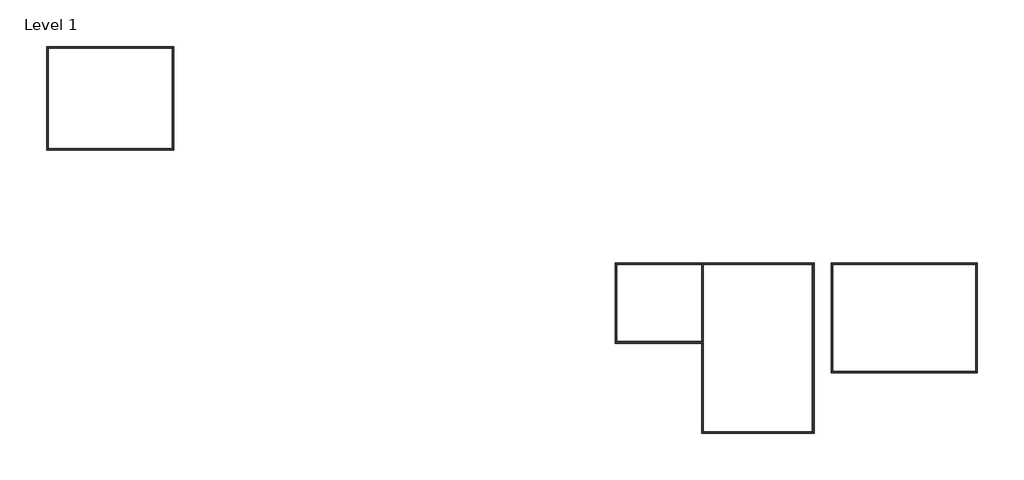
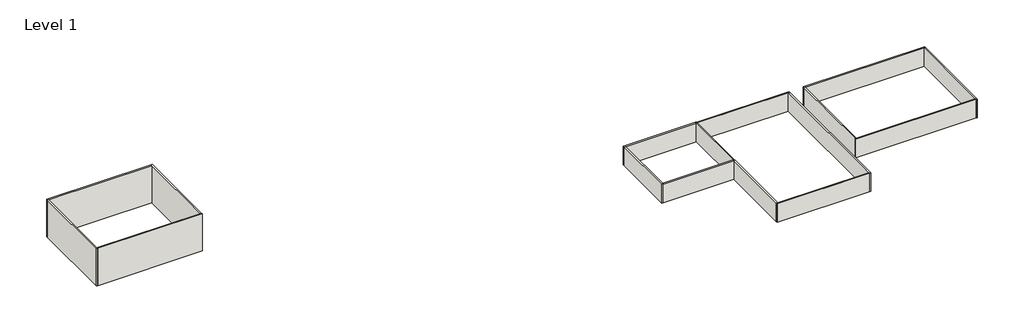
# One storey: 16 walls.
"""IFC4 building model written with IfcOpenShell, lengths in millimetres."""

from ifc_helpers import new_model, si_unit, origin, origin_with_axes, place, context, project, spatial, polyline, outline, extrude, faceted_brep, element, save

model = new_model("IFC4")

# Units and contexts
model_context = context("Model", 3, world=origin())
ifc_project = project(units=[si_unit("LENGTHUNIT", "METRE", prefix="MILLI")], contexts=[model_context])

# Site, building, storey
site = spatial("IfcSite", under=ifc_project)
building = spatial("IfcBuilding", under=site)
storey = spatial("IfcBuildingStorey", under=building, Name="Level 1", Elevation=0.0)

# Walls
placement = place(None, origin())
element("IfcWall", 1, ObjectType="Generic - 200mm", at=placement, inside=storey, context=model_context, shape_type="Brep", body=[
    faceted_brep([(-64391.1230462, 24235.2814303, -3000.0), (-64191.1230462, 24235.2814303, -3000.0), (-48391.1230462, 24235.2814303, -3000.0), (-48391.1230462, 24235.2814303, 3000.0), (-64191.1230462, 24235.2814303, 3000.0), (-64391.1230462, 24235.2814303, 3000.0), (-64391.1230462, 24435.2814303, -3000.0), (-64391.1230462, 24435.2814303, 3000.0), (-48391.1230462, 24435.2814303, 3000.0), (-48391.1230462, 24435.2814303, -3000.0)], [[[0, 1, 2, 3, 4, 5]], [[6, 7, 8, 9]], [[2, 1, 0, 6, 9]], [[5, 4, 3, 8, 7]], [[0, 5, 7, 6]], [[3, 2, 9, 8]]]),
])
element("IfcWall", 2, ObjectType="Generic - 200mm", at=placement, inside=storey, context=model_context, shape_type="Brep", body=[
    faceted_brep([(-64191.1230462, 11235.2814303, -3000.0), (-64191.1230462, 11435.2814303, -3000.0), (-64191.1230462, 24235.2814303, -3000.0), (-64191.1230462, 24235.2814303, 3000.0), (-64191.1230462, 11435.2814303, 3000.0), (-64191.1230462, 11235.2814303, 3000.0), (-64391.1230462, 11235.2814303, -3000.0), (-64391.1230462, 11235.2814303, 3000.0), (-64391.1230462, 24235.2814303, 3000.0), (-64391.1230462, 24235.2814303, -3000.0)], [[[0, 1, 2, 3, 4, 5]], [[6, 7, 8, 9]], [[2, 1, 0, 6, 9]], [[5, 4, 3, 8, 7]], [[0, 5, 7, 6]], [[3, 2, 9, 8]]]),
])
element("IfcWall", 3, ObjectType="Generic - 200mm", at=placement, inside=storey, context=model_context, shape_type="Brep", body=[
    faceted_brep([(-48191.1230462, 11435.2814303, -3000.0), (-48391.1230462, 11435.2814303, -3000.0), (-64191.1230462, 11435.2814303, -3000.0), (-64191.1230462, 11435.2814303, 3000.0), (-48391.1230462, 11435.2814303, 3000.0), (-48191.1230462, 11435.2814303, 3000.0), (-48191.1230462, 11235.2814303, -3000.0), (-48191.1230462, 11235.2814303, 3000.0), (-64191.1230462, 11235.2814303, 3000.0), (-64191.1230462, 11235.2814303, -3000.0)], [[[0, 1, 2, 3, 4, 5]], [[6, 7, 8, 9]], [[2, 1, 0, 6, 9]], [[5, 4, 3, 8, 7]], [[0, 5, 7, 6]], [[3, 2, 9, 8]]]),
])
element("IfcWall", 4, ObjectType="Generic - 200mm", at=placement, inside=storey, context=model_context, shape_type="Brep", body=[
    faceted_brep([(-48391.1230462, 24435.2814303, -3000.0), (-48391.1230462, 24235.2814303, -3000.0), (-48391.1230462, 11435.2814303, -3000.0), (-48391.1230462, 11435.2814303, 3000.0), (-48391.1230462, 24235.2814303, 3000.0), (-48391.1230462, 24435.2814303, 3000.0), (-48191.1230462, 24435.2814303, -3000.0), (-48191.1230462, 24435.2814303, 3000.0), (-48191.1230462, 11435.2814303, 3000.0), (-48191.1230462, 11435.2814303, -3000.0)], [[[0, 1, 2, 3, 4, 5]], [[6, 7, 8, 9]], [[2, 1, 0, 6, 9]], [[5, 4, 3, 8, 7]], [[0, 5, 7, 6]], [[3, 2, 9, 8]]]),
])
element("IfcWall", 5, ObjectType="Generic - 200mm", at=placement, inside=storey, context=model_context, shape_type="Brep", body=[
    faceted_brep([(7992.6275876, -3361.8946299, 0.0), (8192.6275876, -3361.8946299, 0.0), (18992.6275876, -3361.8946299, 0.0), (18992.6275876, -3361.8946299, 3000.0), (8192.6275876, -3361.8946299, 3000.0), (7992.6275876, -3361.8946299, 3000.0), (7992.6275876, -3161.8946299, 0.0), (7992.6275876, -3161.8946299, 3000.0), (18992.6275876, -3161.8946299, 3000.0), (18992.6275876, -3161.8946299, 0.0)], [[[0, 1, 2, 3, 4, 5]], [[6, 7, 8, 9]], [[2, 1, 0, 6, 9]], [[5, 4, 3, 8, 7]], [[0, 5, 7, 6]], [[3, 2, 9, 8]]]),
])
element("IfcWall", 6, ObjectType="Generic - 200mm", at=placement, inside=storey, context=model_context, shape_type="Brep", body=[
    faceted_brep([(8192.6275876, -13361.8946299, 0.0), (8192.6275876, -13161.8946299, 0.0), (8192.6275876, -3361.8946299, 0.0), (8192.6275876, -3361.8946299, 3000.0), (8192.6275876, -13161.8946299, 3000.0), (8192.6275876, -13361.8946299, 3000.0), (7992.6275876, -13361.8946299, 0.0), (7992.6275876, -13361.8946299, 3000.0), (7992.6275876, -3361.8946299, 3000.0), (7992.6275876, -3361.8946299, 0.0)], [[[0, 1, 2, 3, 4, 5]], [[6, 7, 8, 9]], [[2, 1, 0, 6, 9]], [[5, 4, 3, 8, 7]], [[0, 5, 7, 6]], [[3, 2, 9, 8]]]),
])
element("IfcWall", 7, ObjectType="Generic - 200mm", at=placement, inside=storey, context=model_context, shape_type="Brep", body=[
    faceted_brep([(19192.6275876, -13161.8946299, 0.0), (18992.6275876, -13161.8946299, 0.0), (8192.6275876, -13161.8946299, 0.0), (8192.6275876, -13161.8946299, 3000.0), (18992.6275876, -13161.8946299, 3000.0), (19192.6275876, -13161.8946299, 3000.0), (19192.6275876, -13361.8946299, 0.0), (19192.6275876, -13361.8946299, 3000.0), (18992.6275876, -13361.8946299, 3000.0), (8192.6275876, -13361.8946299, 3000.0), (8192.6275876, -13361.8946299, 0.0), (18992.6275876, -13361.8946299, 0.0)], [[[0, 1, 2, 3, 4, 5]], [[6, 7, 8, 9, 10, 11]], [[2, 1, 0, 6, 11, 10]], [[5, 4, 3, 9, 8, 7]], [[0, 5, 7, 6]], [[3, 2, 10, 9]]]),
])
element("IfcWall", 8, ObjectType="Generic - 200mm", at=placement, inside=storey, context=model_context, shape_type="Brep", body=[
    faceted_brep([(18992.6275876, -3161.8946299, 0.0), (18992.6275876, -3361.8946299, 0.0), (18992.6275876, -13161.8946299, 0.0), (18992.6275876, -13161.8946299, 3000.0), (18992.6275876, -3361.8946299, 3000.0), (18992.6275876, -3161.8946299, 3000.0), (19192.6275876, -3161.8946299, 0.0), (19192.6275876, -3161.8946299, 3000.0), (19192.6275876, -3361.8946299, 3000.0), (19192.6275876, -13161.8946299, 3000.0), (19192.6275876, -13161.8946299, 0.0), (19192.6275876, -3361.8946299, 0.0)], [[[0, 1, 2, 3, 4, 5]], [[6, 7, 8, 9, 10, 11]], [[2, 1, 0, 6, 11, 10]], [[5, 4, 3, 9, 8, 7]], [[0, 5, 7, 6]], [[3, 2, 10, 9]]]),
])
element("IfcWall", 9, ObjectType="Generic - 200mm", at=placement, inside=storey, context=model_context, shape_type="Brep", body=[
    faceted_brep([(19192.6275876, -3361.8946299, 0.0), (33092.6275876, -3361.8946299, 0.0), (33292.6275876, -3361.8946299, 0.0), (33292.6275876, -3361.8946299, 3000.0), (33092.6275876, -3361.8946299, 3000.0), (19192.6275876, -3361.8946299, 3000.0), (19192.6275876, -3161.8946299, 0.0), (19192.6275876, -3161.8946299, 3000.0), (33292.6275876, -3161.8946299, 3000.0), (33292.6275876, -3161.8946299, 0.0)], [[[0, 1, 2, 3, 4, 5]], [[6, 7, 8, 9]], [[2, 1, 0, 6, 9]], [[5, 4, 3, 8, 7]], [[0, 5, 7, 6]], [[3, 2, 9, 8]]]),
])
element("IfcWall", 10, ObjectType="Generic - 200mm", at=placement, inside=storey, context=model_context, shape_type="Brep", body=[
    faceted_brep([(33092.6275876, -3361.8946299, 0.0), (33092.6275876, -24661.8946299, 0.0), (33092.6275876, -24861.8946299, 0.0), (33092.6275876, -24861.8946299, 3000.0), (33092.6275876, -24661.8946299, 3000.0), (33092.6275876, -3361.8946299, 3000.0), (33292.6275876, -3361.8946299, 0.0), (33292.6275876, -3361.8946299, 3000.0), (33292.6275876, -24861.8946299, 3000.0), (33292.6275876, -24861.8946299, 0.0)], [[[0, 1, 2, 3, 4, 5]], [[6, 7, 8, 9]], [[2, 1, 0, 6, 9]], [[5, 4, 3, 8, 7]], [[0, 5, 7, 6]], [[3, 2, 9, 8]]]),
])
element("IfcWall", 11, ObjectType="Generic - 200mm", at=placement, inside=storey, context=model_context, shape_type="Brep", body=[
    faceted_brep([(33092.6275876, -24661.8946299, 0.0), (19192.6275876, -24661.8946299, 0.0), (18992.6275876, -24661.8946299, 0.0), (18992.6275876, -24661.8946299, 3000.0), (19192.6275876, -24661.8946299, 3000.0), (33092.6275876, -24661.8946299, 3000.0), (33092.6275876, -24861.8946299, 0.0), (33092.6275876, -24861.8946299, 3000.0), (18992.6275876, -24861.8946299, 3000.0), (18992.6275876, -24861.8946299, 0.0)], [[[0, 1, 2, 3, 4, 5]], [[6, 7, 8, 9]], [[2, 1, 0, 6, 9]], [[5, 4, 3, 8, 7]], [[0, 5, 7, 6]], [[3, 2, 9, 8]]]),
])
element("IfcWall", 12, ObjectType="Generic - 200mm", at=placement, inside=storey, context=model_context, shape_type="SweptSolid", body=[
    extrude(outline(polyline([(19192.6275876, -13361.8946299), (19192.6275876, -24661.8946299), (18992.6275876, -24661.8946299), (18992.6275876, -13361.8946299), (19192.6275876, -13361.8946299)])), origin_with_axes(), (0.0, 0.0, 1.0), 3000.0),
])
element("IfcWall", 13, ObjectType="Generic - 200mm", at=placement, inside=storey, context=model_context, shape_type="Brep", body=[
    faceted_brep([(35492.6275876, -3361.8946299, 0.0), (35692.6275876, -3361.8946299, 0.0), (53892.6275876, -3361.8946299, 0.0), (54092.6275876, -3361.8946299, 0.0), (54092.6275876, -3361.8946299, 3000.0), (53892.6275876, -3361.8946299, 3000.0), (35692.6275876, -3361.8946299, 3000.0), (35492.6275876, -3361.8946299, 3000.0), (35492.6275876, -3161.8946299, 0.0), (35492.6275876, -3161.8946299, 3000.0), (54092.6275876, -3161.8946299, 3000.0), (54092.6275876, -3161.8946299, 0.0)], [[[0, 1, 2, 3, 4, 5, 6, 7]], [[8, 9, 10, 11]], [[3, 2, 1, 0, 8, 11]], [[7, 6, 5, 4, 10, 9]], [[4, 3, 11, 10]], [[0, 7, 9, 8]]]),
])
element("IfcWall", 14, ObjectType="Generic - 200mm", at=placement, inside=storey, context=model_context, shape_type="Brep", body=[
    faceted_brep([(53892.6275876, -3361.8946299, 0.0), (53892.6275876, -16961.8946299, 0.0), (53892.6275876, -17161.8946299, 0.0), (53892.6275876, -17161.8946299, 3000.0), (53892.6275876, -16961.8946299, 3000.0), (53892.6275876, -3361.8946299, 3000.0), (54092.6275876, -3361.8946299, 0.0), (54092.6275876, -3361.8946299, 3000.0), (54092.6275876, -17161.8946299, 3000.0), (54092.6275876, -17161.8946299, 0.0)], [[[0, 1, 2, 3, 4, 5]], [[6, 7, 8, 9]], [[2, 1, 0, 6, 9]], [[5, 4, 3, 8, 7]], [[0, 5, 7, 6]], [[3, 2, 9, 8]]]),
])
element("IfcWall", 15, ObjectType="Generic - 200mm", at=placement, inside=storey, context=model_context, shape_type="Brep", body=[
    faceted_brep([(53892.6275876, -16961.8946299, 0.0), (35692.6275876, -16961.8946299, 0.0), (35492.6275876, -16961.8946299, 0.0), (35492.6275876, -16961.8946299, 3000.0), (35692.6275876, -16961.8946299, 3000.0), (53892.6275876, -16961.8946299, 3000.0), (53892.6275876, -17161.8946299, 0.0), (53892.6275876, -17161.8946299, 3000.0), (35492.6275876, -17161.8946299, 3000.0), (35492.6275876, -17161.8946299, 0.0)], [[[0, 1, 2, 3, 4, 5]], [[6, 7, 8, 9]], [[2, 1, 0, 6, 9]], [[5, 4, 3, 8, 7]], [[0, 5, 7, 6]], [[3, 2, 9, 8]]]),
])
element("IfcWall", 16, ObjectType="Generic - 200mm", at=placement, inside=storey, context=model_context, shape_type="SweptSolid", body=[
    extrude(outline(polyline([(35692.6275876, -3361.8946299), (35692.6275876, -16961.8946299), (35492.6275876, -16961.8946299), (35492.6275876, -3361.8946299), (35692.6275876, -3361.8946299)])), origin_with_axes(), (0.0, 0.0, 1.0), 3000.0),
])

save(model, "model.ifc")
